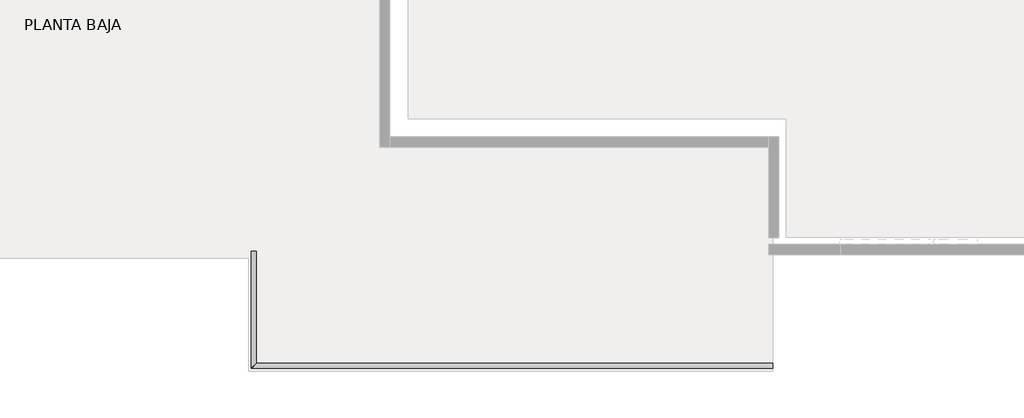
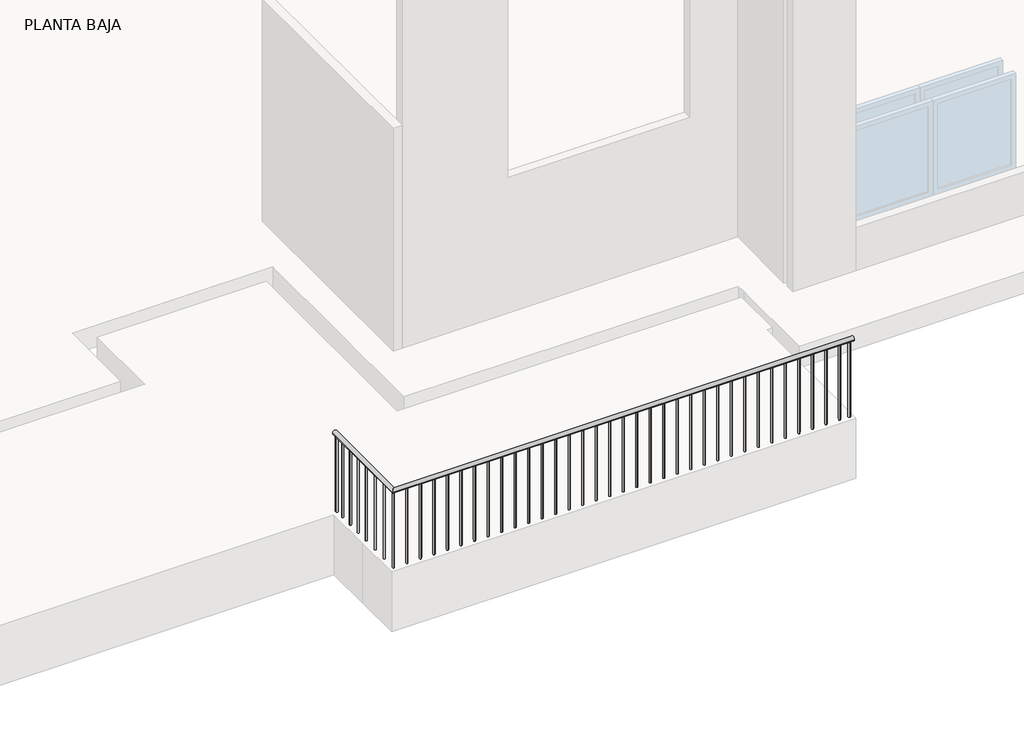
# One storey, part 4 of 4: 1 railing.
"""IFC4 building model written with IfcOpenShell, lengths in millimetres."""

from ifc_helpers import new_model, si_unit, point, frame, frame_2d, origin, place, context, project, spatial, circle_curve, ellipse_curve, trimmed, segment, composite_curve, outline, extrude, element, save
from ifc_brep_helpers import plane_surface, cylinder_surface, advanced_brep

model = new_model("IFC4")

# Units and contexts
model_context = context("Model", 3, world=origin())
ifc_project = project(units=[si_unit("LENGTHUNIT", "METRE", prefix="MILLI")], contexts=[model_context])

# Site, building, storey
site = spatial("IfcSite", under=ifc_project)
building = spatial("IfcBuilding", under=site)
storey = spatial("IfcBuildingStorey", under=building, Name="PLANTA BAJA", Elevation=700.0)

# Railing
placement = place(None, origin())
element("IfcRailing", 1, at=placement, inside=storey, context=model_context, shape_type="SolidModel", body=[
    advanced_brep(
    [(7920.0, -1932.1086819, 1600.0), (7920.0, -1982.1086819, 1600.0), (2875.0, -1932.1086819, 1600.0), (2825.0, -1982.1086819, 1600.0), (2875.0, -837.1086819, 1600.0), (2825.0, -837.1086819, 1600.0)],
    [
        (0, 1, circle_curve(frame((7920.0, -1957.1086819, 1600.0), z_axis=(1.0, 0.0, 0.0), x_axis=(0.0, -1.0, 0.0)), 25.0)),
        (1, 0, circle_curve(frame((7920.0, -1957.1086819, 1600.0), z_axis=(1.0, 0.0, 0.0), x_axis=(0.0, -1.0, 0.0)), 25.0)),
        (0, 2),
        (2, 3, ellipse_curve(frame((2850.0, -1957.1086819, 1600.0), z_axis=(0.7071067811865479, -0.707106781186547, 0.0), x_axis=(0.7071067811865471, 0.7071067811865478, 0.0)), 35.3553391, 25.0)),
        (3, 1),
        (3, 2, ellipse_curve(frame((2850.0, -1957.1086819, 1600.0), z_axis=(0.7071067811865479, -0.707106781186547, 0.0), x_axis=(0.7071067811865471, 0.7071067811865478, 0.0)), 35.3553391, 25.0)),
        (4, 5, circle_curve(frame((2850.0, -837.1086819, 1600.0), z_axis=(0.0, 1.0, 0.0), x_axis=(-1.0, 0.0, 0.0)), 25.0)),
        (5, 4, circle_curve(frame((2850.0, -837.1086819, 1600.0), z_axis=(0.0, 1.0, 0.0), x_axis=(-1.0, 0.0, 0.0)), 25.0)),
        (2, 4),
        (5, 3),
    ],
    [
        plane_surface(frame((7920.0, -1957.1086819, 1600.0), z_axis=(1.0, 0.0, 0.0), x_axis=(0.0, -1.0, 0.0))),
        cylinder_surface(frame((7920.0, -1957.1086819, 1600.0), z_axis=(1.0, 0.0, 0.0), x_axis=(0.0, -1.0, 0.0)), 25.0),
        plane_surface(frame((2850.0, -837.1086819, 1600.0), z_axis=(0.0, 1.0, 0.0), x_axis=(0.0, 0.0, 1.0))),
        cylinder_surface(frame((2850.0, -1957.1086819, 1600.0), z_axis=(0.0, -1.0, 0.0), x_axis=(-1.0, 0.0, 0.0)), 25.0),
    ],
    [
        (0, [[1, 2]]),
        (1, [[-1, 3, 4, 5]]),
        (1, [[-2, -5, 6, -3]]),
        (2, [[7, 8]]),
        (3, [[-4, 9, -8, 10]]),
        (3, [[-6, -10, -7, -9]]),
    ],
),
    extrude(outline(composite_curve([segment(trimmed(circle_curve(frame_2d((2850.0, -986.9310123)), 10.0), [point((2860.0, -986.9310123))], [point((2840.0, -986.9310123))], False, "CARTESIAN"), True, "CONTINUOUS"), segment(trimmed(circle_curve(frame_2d((2850.0, -986.9310123)), 10.0), [point((2840.0, -986.9310123))], [point((2860.0, -986.9310123))], False, "CARTESIAN"), True, "CONTINUOUS")], self_intersect=False)), frame((0.0, 0.0, 700.0), z_axis=(0.0, 0.0, 1.0), x_axis=(1.0, 0.0, 0.0)), (0.0, 0.0, 1.0), 875.0),
    extrude(outline(composite_curve([segment(trimmed(circle_curve(frame_2d((2850.0, -1136.7533428)), 10.0), [point((2860.0, -1136.7533428))], [point((2840.0, -1136.7533428))], False, "CARTESIAN"), True, "CONTINUOUS"), segment(trimmed(circle_curve(frame_2d((2850.0, -1136.7533428)), 10.0), [point((2840.0, -1136.7533428))], [point((2860.0, -1136.7533428))], False, "CARTESIAN"), True, "CONTINUOUS")], self_intersect=False)), frame((0.0, 0.0, 700.0), z_axis=(0.0, 0.0, 1.0), x_axis=(1.0, 0.0, 0.0)), (0.0, 0.0, 1.0), 875.0),
    extrude(outline(composite_curve([segment(trimmed(circle_curve(frame_2d((2850.0, -1286.5756733)), 10.0), [point((2860.0, -1286.5756733))], [point((2840.0, -1286.5756733))], False, "CARTESIAN"), True, "CONTINUOUS"), segment(trimmed(circle_curve(frame_2d((2850.0, -1286.5756733)), 10.0), [point((2840.0, -1286.5756733))], [point((2860.0, -1286.5756733))], False, "CARTESIAN"), True, "CONTINUOUS")], self_intersect=False)), frame((0.0, 0.0, 700.0), z_axis=(0.0, 0.0, 1.0), x_axis=(1.0, 0.0, 0.0)), (0.0, 0.0, 1.0), 875.0),
    extrude(outline(composite_curve([segment(trimmed(circle_curve(frame_2d((2850.0, -1609.9682298)), 10.0), [point((2860.0, -1609.9682298))], [point((2840.0, -1609.9682298))], False, "CARTESIAN"), True, "CONTINUOUS"), segment(trimmed(circle_curve(frame_2d((2850.0, -1609.9682298)), 10.0), [point((2840.0, -1609.9682298))], [point((2860.0, -1609.9682298))], False, "CARTESIAN"), True, "CONTINUOUS")], self_intersect=False)), frame((0.0, 0.0, 700.0), z_axis=(0.0, 0.0, 1.0), x_axis=(1.0, 0.0, 0.0)), (0.0, 0.0, 1.0), 875.0),
    extrude(outline(composite_curve([segment(trimmed(circle_curve(frame_2d((2850.0, -1783.5384558)), 10.0), [point((2860.0, -1783.5384558))], [point((2840.0, -1783.5384558))], False, "CARTESIAN"), True, "CONTINUOUS"), segment(trimmed(circle_curve(frame_2d((2850.0, -1783.5384558)), 10.0), [point((2840.0, -1783.5384558))], [point((2860.0, -1783.5384558))], False, "CARTESIAN"), True, "CONTINUOUS")], self_intersect=False)), frame((0.0, 0.0, 700.0), z_axis=(0.0, 0.0, 1.0), x_axis=(1.0, 0.0, 0.0)), (0.0, 0.0, 1.0), 875.0),
    extrude(outline(composite_curve([segment(trimmed(circle_curve(frame_2d((2999.1176471, -1957.1086819)), 10.0), [point((2999.1176471, -1947.1086819))], [point((2999.1176471, -1967.1086819))], False, "CARTESIAN"), True, "CONTINUOUS"), segment(trimmed(circle_curve(frame_2d((2999.1176471, -1957.1086819)), 10.0), [point((2999.1176471, -1967.1086819))], [point((2999.1176471, -1947.1086819))], False, "CARTESIAN"), True, "CONTINUOUS")], self_intersect=False)), frame((0.0, 0.0, 700.0), z_axis=(0.0, 0.0, 1.0), x_axis=(1.0, 0.0, 0.0)), (0.0, 0.0, 1.0), 875.0),
    extrude(outline(composite_curve([segment(trimmed(circle_curve(frame_2d((3148.2352941, -1957.1086819)), 10.0), [point((3148.2352941, -1947.1086819))], [point((3148.2352941, -1967.1086819))], False, "CARTESIAN"), True, "CONTINUOUS"), segment(trimmed(circle_curve(frame_2d((3148.2352941, -1957.1086819)), 10.0), [point((3148.2352941, -1967.1086819))], [point((3148.2352941, -1947.1086819))], False, "CARTESIAN"), True, "CONTINUOUS")], self_intersect=False)), frame((0.0, 0.0, 700.0), z_axis=(0.0, 0.0, 1.0), x_axis=(1.0, 0.0, 0.0)), (0.0, 0.0, 1.0), 875.0),
    extrude(outline(composite_curve([segment(trimmed(circle_curve(frame_2d((3297.3529412, -1957.1086819)), 10.0), [point((3297.3529412, -1947.1086819))], [point((3297.3529412, -1967.1086819))], False, "CARTESIAN"), True, "CONTINUOUS"), segment(trimmed(circle_curve(frame_2d((3297.3529412, -1957.1086819)), 10.0), [point((3297.3529412, -1967.1086819))], [point((3297.3529412, -1947.1086819))], False, "CARTESIAN"), True, "CONTINUOUS")], self_intersect=False)), frame((0.0, 0.0, 700.0), z_axis=(0.0, 0.0, 1.0), x_axis=(1.0, 0.0, 0.0)), (0.0, 0.0, 1.0), 875.0),
    extrude(outline(composite_curve([segment(trimmed(circle_curve(frame_2d((3446.4705882, -1957.1086819)), 10.0), [point((3446.4705882, -1947.1086819))], [point((3446.4705882, -1967.1086819))], False, "CARTESIAN"), True, "CONTINUOUS"), segment(trimmed(circle_curve(frame_2d((3446.4705882, -1957.1086819)), 10.0), [point((3446.4705882, -1967.1086819))], [point((3446.4705882, -1947.1086819))], False, "CARTESIAN"), True, "CONTINUOUS")], self_intersect=False)), frame((0.0, 0.0, 700.0), z_axis=(0.0, 0.0, 1.0), x_axis=(1.0, 0.0, 0.0)), (0.0, 0.0, 1.0), 875.0),
    extrude(outline(composite_curve([segment(trimmed(circle_curve(frame_2d((3595.5882353, -1957.1086819)), 10.0), [point((3595.5882353, -1947.1086819))], [point((3595.5882353, -1967.1086819))], False, "CARTESIAN"), True, "CONTINUOUS"), segment(trimmed(circle_curve(frame_2d((3595.5882353, -1957.1086819)), 10.0), [point((3595.5882353, -1967.1086819))], [point((3595.5882353, -1947.1086819))], False, "CARTESIAN"), True, "CONTINUOUS")], self_intersect=False)), frame((0.0, 0.0, 700.0), z_axis=(0.0, 0.0, 1.0), x_axis=(1.0, 0.0, 0.0)), (0.0, 0.0, 1.0), 875.0),
    extrude(outline(composite_curve([segment(trimmed(circle_curve(frame_2d((3744.7058824, -1957.1086819)), 10.0), [point((3744.7058824, -1947.1086819))], [point((3744.7058824, -1967.1086819))], False, "CARTESIAN"), True, "CONTINUOUS"), segment(trimmed(circle_curve(frame_2d((3744.7058824, -1957.1086819)), 10.0), [point((3744.7058824, -1967.1086819))], [point((3744.7058824, -1947.1086819))], False, "CARTESIAN"), True, "CONTINUOUS")], self_intersect=False)), frame((0.0, 0.0, 700.0), z_axis=(0.0, 0.0, 1.0), x_axis=(1.0, 0.0, 0.0)), (0.0, 0.0, 1.0), 875.0),
    extrude(outline(composite_curve([segment(trimmed(circle_curve(frame_2d((3893.8235294, -1957.1086819)), 10.0), [point((3893.8235294, -1947.1086819))], [point((3893.8235294, -1967.1086819))], False, "CARTESIAN"), True, "CONTINUOUS"), segment(trimmed(circle_curve(frame_2d((3893.8235294, -1957.1086819)), 10.0), [point((3893.8235294, -1967.1086819))], [point((3893.8235294, -1947.1086819))], False, "CARTESIAN"), True, "CONTINUOUS")], self_intersect=False)), frame((0.0, 0.0, 700.0), z_axis=(0.0, 0.0, 1.0), x_axis=(1.0, 0.0, 0.0)), (0.0, 0.0, 1.0), 875.0),
    extrude(outline(composite_curve([segment(trimmed(circle_curve(frame_2d((4042.9411765, -1957.1086819)), 10.0), [point((4042.9411765, -1947.1086819))], [point((4042.9411765, -1967.1086819))], False, "CARTESIAN"), True, "CONTINUOUS"), segment(trimmed(circle_curve(frame_2d((4042.9411765, -1957.1086819)), 10.0), [point((4042.9411765, -1967.1086819))], [point((4042.9411765, -1947.1086819))], False, "CARTESIAN"), True, "CONTINUOUS")], self_intersect=False)), frame((0.0, 0.0, 700.0), z_axis=(0.0, 0.0, 1.0), x_axis=(1.0, 0.0, 0.0)), (0.0, 0.0, 1.0), 875.0),
    extrude(outline(composite_curve([segment(trimmed(circle_curve(frame_2d((4192.0588235, -1957.1086819)), 10.0), [point((4192.0588235, -1947.1086819))], [point((4192.0588235, -1967.1086819))], False, "CARTESIAN"), True, "CONTINUOUS"), segment(trimmed(circle_curve(frame_2d((4192.0588235, -1957.1086819)), 10.0), [point((4192.0588235, -1967.1086819))], [point((4192.0588235, -1947.1086819))], False, "CARTESIAN"), True, "CONTINUOUS")], self_intersect=False)), frame((0.0, 0.0, 700.0), z_axis=(0.0, 0.0, 1.0), x_axis=(1.0, 0.0, 0.0)), (0.0, 0.0, 1.0), 875.0),
    extrude(outline(composite_curve([segment(trimmed(circle_curve(frame_2d((4341.1764706, -1957.1086819)), 10.0), [point((4341.1764706, -1947.1086819))], [point((4341.1764706, -1967.1086819))], False, "CARTESIAN"), True, "CONTINUOUS"), segment(trimmed(circle_curve(frame_2d((4341.1764706, -1957.1086819)), 10.0), [point((4341.1764706, -1967.1086819))], [point((4341.1764706, -1947.1086819))], False, "CARTESIAN"), True, "CONTINUOUS")], self_intersect=False)), frame((0.0, 0.0, 700.0), z_axis=(0.0, 0.0, 1.0), x_axis=(1.0, 0.0, 0.0)), (0.0, 0.0, 1.0), 875.0),
    extrude(outline(composite_curve([segment(trimmed(circle_curve(frame_2d((4490.2941176, -1957.1086819)), 10.0), [point((4490.2941176, -1947.1086819))], [point((4490.2941176, -1967.1086819))], False, "CARTESIAN"), True, "CONTINUOUS"), segment(trimmed(circle_curve(frame_2d((4490.2941176, -1957.1086819)), 10.0), [point((4490.2941176, -1967.1086819))], [point((4490.2941176, -1947.1086819))], False, "CARTESIAN"), True, "CONTINUOUS")], self_intersect=False)), frame((0.0, 0.0, 700.0), z_axis=(0.0, 0.0, 1.0), x_axis=(1.0, 0.0, 0.0)), (0.0, 0.0, 1.0), 875.0),
    extrude(outline(composite_curve([segment(trimmed(circle_curve(frame_2d((4639.4117647, -1957.1086819)), 10.0), [point((4639.4117647, -1947.1086819))], [point((4639.4117647, -1967.1086819))], False, "CARTESIAN"), True, "CONTINUOUS"), segment(trimmed(circle_curve(frame_2d((4639.4117647, -1957.1086819)), 10.0), [point((4639.4117647, -1967.1086819))], [point((4639.4117647, -1947.1086819))], False, "CARTESIAN"), True, "CONTINUOUS")], self_intersect=False)), frame((0.0, 0.0, 700.0), z_axis=(0.0, 0.0, 1.0), x_axis=(1.0, 0.0, 0.0)), (0.0, 0.0, 1.0), 875.0),
    extrude(outline(composite_curve([segment(trimmed(circle_curve(frame_2d((4788.5294118, -1957.1086819)), 10.0), [point((4788.5294118, -1947.1086819))], [point((4788.5294118, -1967.1086819))], False, "CARTESIAN"), True, "CONTINUOUS"), segment(trimmed(circle_curve(frame_2d((4788.5294118, -1957.1086819)), 10.0), [point((4788.5294118, -1967.1086819))], [point((4788.5294118, -1947.1086819))], False, "CARTESIAN"), True, "CONTINUOUS")], self_intersect=False)), frame((0.0, 0.0, 700.0), z_axis=(0.0, 0.0, 1.0), x_axis=(1.0, 0.0, 0.0)), (0.0, 0.0, 1.0), 875.0),
    extrude(outline(composite_curve([segment(trimmed(circle_curve(frame_2d((4937.6470588, -1957.1086819)), 10.0), [point((4937.6470588, -1947.1086819))], [point((4937.6470588, -1967.1086819))], False, "CARTESIAN"), True, "CONTINUOUS"), segment(trimmed(circle_curve(frame_2d((4937.6470588, -1957.1086819)), 10.0), [point((4937.6470588, -1967.1086819))], [point((4937.6470588, -1947.1086819))], False, "CARTESIAN"), True, "CONTINUOUS")], self_intersect=False)), frame((0.0, 0.0, 700.0), z_axis=(0.0, 0.0, 1.0), x_axis=(1.0, 0.0, 0.0)), (0.0, 0.0, 1.0), 875.0),
    extrude(outline(composite_curve([segment(trimmed(circle_curve(frame_2d((5086.7647059, -1957.1086819)), 10.0), [point((5086.7647059, -1947.1086819))], [point((5086.7647059, -1967.1086819))], False, "CARTESIAN"), True, "CONTINUOUS"), segment(trimmed(circle_curve(frame_2d((5086.7647059, -1957.1086819)), 10.0), [point((5086.7647059, -1967.1086819))], [point((5086.7647059, -1947.1086819))], False, "CARTESIAN"), True, "CONTINUOUS")], self_intersect=False)), frame((0.0, 0.0, 700.0), z_axis=(0.0, 0.0, 1.0), x_axis=(1.0, 0.0, 0.0)), (0.0, 0.0, 1.0), 875.0),
    extrude(outline(composite_curve([segment(trimmed(circle_curve(frame_2d((5235.8823529, -1957.1086819)), 10.0), [point((5235.8823529, -1947.1086819))], [point((5235.8823529, -1967.1086819))], False, "CARTESIAN"), True, "CONTINUOUS"), segment(trimmed(circle_curve(frame_2d((5235.8823529, -1957.1086819)), 10.0), [point((5235.8823529, -1967.1086819))], [point((5235.8823529, -1947.1086819))], False, "CARTESIAN"), True, "CONTINUOUS")], self_intersect=False)), frame((0.0, 0.0, 700.0), z_axis=(0.0, 0.0, 1.0), x_axis=(1.0, 0.0, 0.0)), (0.0, 0.0, 1.0), 875.0),
    extrude(outline(composite_curve([segment(trimmed(circle_curve(frame_2d((5385.0, -1957.1086819)), 10.0), [point((5385.0, -1947.1086819))], [point((5385.0, -1967.1086819))], False, "CARTESIAN"), True, "CONTINUOUS"), segment(trimmed(circle_curve(frame_2d((5385.0, -1957.1086819)), 10.0), [point((5385.0, -1967.1086819))], [point((5385.0, -1947.1086819))], False, "CARTESIAN"), True, "CONTINUOUS")], self_intersect=False)), frame((0.0, 0.0, 700.0), z_axis=(0.0, 0.0, 1.0), x_axis=(1.0, 0.0, 0.0)), (0.0, 0.0, 1.0), 875.0),
    extrude(outline(composite_curve([segment(trimmed(circle_curve(frame_2d((5534.1176471, -1957.1086819)), 10.0), [point((5534.1176471, -1947.1086819))], [point((5534.1176471, -1967.1086819))], False, "CARTESIAN"), True, "CONTINUOUS"), segment(trimmed(circle_curve(frame_2d((5534.1176471, -1957.1086819)), 10.0), [point((5534.1176471, -1967.1086819))], [point((5534.1176471, -1947.1086819))], False, "CARTESIAN"), True, "CONTINUOUS")], self_intersect=False)), frame((0.0, 0.0, 700.0), z_axis=(0.0, 0.0, 1.0), x_axis=(1.0, 0.0, 0.0)), (0.0, 0.0, 1.0), 875.0),
    extrude(outline(composite_curve([segment(trimmed(circle_curve(frame_2d((5683.2352941, -1957.1086819)), 10.0), [point((5683.2352941, -1947.1086819))], [point((5683.2352941, -1967.1086819))], False, "CARTESIAN"), True, "CONTINUOUS"), segment(trimmed(circle_curve(frame_2d((5683.2352941, -1957.1086819)), 10.0), [point((5683.2352941, -1967.1086819))], [point((5683.2352941, -1947.1086819))], False, "CARTESIAN"), True, "CONTINUOUS")], self_intersect=False)), frame((0.0, 0.0, 700.0), z_axis=(0.0, 0.0, 1.0), x_axis=(1.0, 0.0, 0.0)), (0.0, 0.0, 1.0), 875.0),
    extrude(outline(composite_curve([segment(trimmed(circle_curve(frame_2d((5832.3529412, -1957.1086819)), 10.0), [point((5832.3529412, -1947.1086819))], [point((5832.3529412, -1967.1086819))], False, "CARTESIAN"), True, "CONTINUOUS"), segment(trimmed(circle_curve(frame_2d((5832.3529412, -1957.1086819)), 10.0), [point((5832.3529412, -1967.1086819))], [point((5832.3529412, -1947.1086819))], False, "CARTESIAN"), True, "CONTINUOUS")], self_intersect=False)), frame((0.0, 0.0, 700.0), z_axis=(0.0, 0.0, 1.0), x_axis=(1.0, 0.0, 0.0)), (0.0, 0.0, 1.0), 875.0),
    extrude(outline(composite_curve([segment(trimmed(circle_curve(frame_2d((5981.4705882, -1957.1086819)), 10.0), [point((5981.4705882, -1947.1086819))], [point((5981.4705882, -1967.1086819))], False, "CARTESIAN"), True, "CONTINUOUS"), segment(trimmed(circle_curve(frame_2d((5981.4705882, -1957.1086819)), 10.0), [point((5981.4705882, -1967.1086819))], [point((5981.4705882, -1947.1086819))], False, "CARTESIAN"), True, "CONTINUOUS")], self_intersect=False)), frame((0.0, 0.0, 700.0), z_axis=(0.0, 0.0, 1.0), x_axis=(1.0, 0.0, 0.0)), (0.0, 0.0, 1.0), 875.0),
    extrude(outline(composite_curve([segment(trimmed(circle_curve(frame_2d((6130.5882353, -1957.1086819)), 10.0), [point((6130.5882353, -1947.1086819))], [point((6130.5882353, -1967.1086819))], False, "CARTESIAN"), True, "CONTINUOUS"), segment(trimmed(circle_curve(frame_2d((6130.5882353, -1957.1086819)), 10.0), [point((6130.5882353, -1967.1086819))], [point((6130.5882353, -1947.1086819))], False, "CARTESIAN"), True, "CONTINUOUS")], self_intersect=False)), frame((0.0, 0.0, 700.0), z_axis=(0.0, 0.0, 1.0), x_axis=(1.0, 0.0, 0.0)), (0.0, 0.0, 1.0), 875.0),
    extrude(outline(composite_curve([segment(trimmed(circle_curve(frame_2d((6279.7058824, -1957.1086819)), 10.0), [point((6279.7058824, -1947.1086819))], [point((6279.7058824, -1967.1086819))], False, "CARTESIAN"), True, "CONTINUOUS"), segment(trimmed(circle_curve(frame_2d((6279.7058824, -1957.1086819)), 10.0), [point((6279.7058824, -1967.1086819))], [point((6279.7058824, -1947.1086819))], False, "CARTESIAN"), True, "CONTINUOUS")], self_intersect=False)), frame((0.0, 0.0, 700.0), z_axis=(0.0, 0.0, 1.0), x_axis=(1.0, 0.0, 0.0)), (0.0, 0.0, 1.0), 875.0),
    extrude(outline(composite_curve([segment(trimmed(circle_curve(frame_2d((6428.8235294, -1957.1086819)), 10.0), [point((6428.8235294, -1947.1086819))], [point((6428.8235294, -1967.1086819))], False, "CARTESIAN"), True, "CONTINUOUS"), segment(trimmed(circle_curve(frame_2d((6428.8235294, -1957.1086819)), 10.0), [point((6428.8235294, -1967.1086819))], [point((6428.8235294, -1947.1086819))], False, "CARTESIAN"), True, "CONTINUOUS")], self_intersect=False)), frame((0.0, 0.0, 700.0), z_axis=(0.0, 0.0, 1.0), x_axis=(1.0, 0.0, 0.0)), (0.0, 0.0, 1.0), 875.0),
    extrude(outline(composite_curve([segment(trimmed(circle_curve(frame_2d((6577.9411765, -1957.1086819)), 10.0), [point((6577.9411765, -1947.1086819))], [point((6577.9411765, -1967.1086819))], False, "CARTESIAN"), True, "CONTINUOUS"), segment(trimmed(circle_curve(frame_2d((6577.9411765, -1957.1086819)), 10.0), [point((6577.9411765, -1967.1086819))], [point((6577.9411765, -1947.1086819))], False, "CARTESIAN"), True, "CONTINUOUS")], self_intersect=False)), frame((0.0, 0.0, 700.0), z_axis=(0.0, 0.0, 1.0), x_axis=(1.0, 0.0, 0.0)), (0.0, 0.0, 1.0), 875.0),
    extrude(outline(composite_curve([segment(trimmed(circle_curve(frame_2d((6727.0588235, -1957.1086819)), 10.0), [point((6727.0588235, -1947.1086819))], [point((6727.0588235, -1967.1086819))], False, "CARTESIAN"), True, "CONTINUOUS"), segment(trimmed(circle_curve(frame_2d((6727.0588235, -1957.1086819)), 10.0), [point((6727.0588235, -1967.1086819))], [point((6727.0588235, -1947.1086819))], False, "CARTESIAN"), True, "CONTINUOUS")], self_intersect=False)), frame((0.0, 0.0, 700.0), z_axis=(0.0, 0.0, 1.0), x_axis=(1.0, 0.0, 0.0)), (0.0, 0.0, 1.0), 875.0),
    extrude(outline(composite_curve([segment(trimmed(circle_curve(frame_2d((6876.1764706, -1957.1086819)), 10.0), [point((6876.1764706, -1947.1086819))], [point((6876.1764706, -1967.1086819))], False, "CARTESIAN"), True, "CONTINUOUS"), segment(trimmed(circle_curve(frame_2d((6876.1764706, -1957.1086819)), 10.0), [point((6876.1764706, -1967.1086819))], [point((6876.1764706, -1947.1086819))], False, "CARTESIAN"), True, "CONTINUOUS")], self_intersect=False)), frame((0.0, 0.0, 700.0), z_axis=(0.0, 0.0, 1.0), x_axis=(1.0, 0.0, 0.0)), (0.0, 0.0, 1.0), 875.0),
    extrude(outline(composite_curve([segment(trimmed(circle_curve(frame_2d((7025.2941176, -1957.1086819)), 10.0), [point((7025.2941176, -1947.1086819))], [point((7025.2941176, -1967.1086819))], False, "CARTESIAN"), True, "CONTINUOUS"), segment(trimmed(circle_curve(frame_2d((7025.2941176, -1957.1086819)), 10.0), [point((7025.2941176, -1967.1086819))], [point((7025.2941176, -1947.1086819))], False, "CARTESIAN"), True, "CONTINUOUS")], self_intersect=False)), frame((0.0, 0.0, 700.0), z_axis=(0.0, 0.0, 1.0), x_axis=(1.0, 0.0, 0.0)), (0.0, 0.0, 1.0), 875.0),
    extrude(outline(composite_curve([segment(trimmed(circle_curve(frame_2d((7174.4117647, -1957.1086819)), 10.0), [point((7174.4117647, -1947.1086819))], [point((7174.4117647, -1967.1086819))], False, "CARTESIAN"), True, "CONTINUOUS"), segment(trimmed(circle_curve(frame_2d((7174.4117647, -1957.1086819)), 10.0), [point((7174.4117647, -1967.1086819))], [point((7174.4117647, -1947.1086819))], False, "CARTESIAN"), True, "CONTINUOUS")], self_intersect=False)), frame((0.0, 0.0, 700.0), z_axis=(0.0, 0.0, 1.0), x_axis=(1.0, 0.0, 0.0)), (0.0, 0.0, 1.0), 875.0),
    extrude(outline(composite_curve([segment(trimmed(circle_curve(frame_2d((7323.5294118, -1957.1086819)), 10.0), [point((7323.5294118, -1947.1086819))], [point((7323.5294118, -1967.1086819))], False, "CARTESIAN"), True, "CONTINUOUS"), segment(trimmed(circle_curve(frame_2d((7323.5294118, -1957.1086819)), 10.0), [point((7323.5294118, -1967.1086819))], [point((7323.5294118, -1947.1086819))], False, "CARTESIAN"), True, "CONTINUOUS")], self_intersect=False)), frame((0.0, 0.0, 700.0), z_axis=(0.0, 0.0, 1.0), x_axis=(1.0, 0.0, 0.0)), (0.0, 0.0, 1.0), 875.0),
    extrude(outline(composite_curve([segment(trimmed(circle_curve(frame_2d((7472.6470588, -1957.1086819)), 10.0), [point((7472.6470588, -1947.1086819))], [point((7472.6470588, -1967.1086819))], False, "CARTESIAN"), True, "CONTINUOUS"), segment(trimmed(circle_curve(frame_2d((7472.6470588, -1957.1086819)), 10.0), [point((7472.6470588, -1967.1086819))], [point((7472.6470588, -1947.1086819))], False, "CARTESIAN"), True, "CONTINUOUS")], self_intersect=False)), frame((0.0, 0.0, 700.0), z_axis=(0.0, 0.0, 1.0), x_axis=(1.0, 0.0, 0.0)), (0.0, 0.0, 1.0), 875.0),
    extrude(outline(composite_curve([segment(trimmed(circle_curve(frame_2d((7621.7647059, -1957.1086819)), 10.0), [point((7621.7647059, -1947.1086819))], [point((7621.7647059, -1967.1086819))], False, "CARTESIAN"), True, "CONTINUOUS"), segment(trimmed(circle_curve(frame_2d((7621.7647059, -1957.1086819)), 10.0), [point((7621.7647059, -1967.1086819))], [point((7621.7647059, -1947.1086819))], False, "CARTESIAN"), True, "CONTINUOUS")], self_intersect=False)), frame((0.0, 0.0, 700.0), z_axis=(0.0, 0.0, 1.0), x_axis=(1.0, 0.0, 0.0)), (0.0, 0.0, 1.0), 875.0),
    extrude(outline(composite_curve([segment(trimmed(circle_curve(frame_2d((7770.8823529, -1957.1086819)), 10.0), [point((7770.8823529, -1947.1086819))], [point((7770.8823529, -1967.1086819))], False, "CARTESIAN"), True, "CONTINUOUS"), segment(trimmed(circle_curve(frame_2d((7770.8823529, -1957.1086819)), 10.0), [point((7770.8823529, -1967.1086819))], [point((7770.8823529, -1947.1086819))], False, "CARTESIAN"), True, "CONTINUOUS")], self_intersect=False)), frame((0.0, 0.0, 700.0), z_axis=(0.0, 0.0, 1.0), x_axis=(1.0, 0.0, 0.0)), (0.0, 0.0, 1.0), 875.0),
    extrude(outline(composite_curve([segment(trimmed(circle_curve(frame_2d((2850.0, -1436.3980037)), 10.0), [point((2860.0, -1436.3980037))], [point((2840.0, -1436.3980037))], False, "CARTESIAN"), True, "CONTINUOUS"), segment(trimmed(circle_curve(frame_2d((2850.0, -1436.3980037)), 10.0), [point((2840.0, -1436.3980037))], [point((2860.0, -1436.3980037))], False, "CARTESIAN"), True, "CONTINUOUS")], self_intersect=False)), frame((0.0, 0.0, 700.0), z_axis=(0.0, 0.0, 1.0), x_axis=(1.0, 0.0, 0.0)), (0.0, 0.0, 1.0), 875.0),
    extrude(outline(composite_curve([segment(trimmed(circle_curve(frame_2d((2850.0, -1957.1086819)), 10.0), [point((2850.0, -1947.1086819))], [point((2850.0, -1967.1086819))], False, "CARTESIAN"), True, "CONTINUOUS"), segment(trimmed(circle_curve(frame_2d((2850.0, -1957.1086819)), 10.0), [point((2850.0, -1967.1086819))], [point((2850.0, -1947.1086819))], False, "CARTESIAN"), True, "CONTINUOUS")], self_intersect=False)), frame((0.0, 0.0, 700.0), z_axis=(0.0, 0.0, 1.0), x_axis=(1.0, 0.0, 0.0)), (0.0, 0.0, 1.0), 875.0),
    extrude(outline(composite_curve([segment(trimmed(circle_curve(frame_2d((2850.0, -877.1086819)), 15.0), [point((2865.0, -877.1086819))], [point((2835.0, -877.1086819))], False, "CARTESIAN"), True, "CONTINUOUS"), segment(trimmed(circle_curve(frame_2d((2850.0, -877.1086819)), 15.0), [point((2835.0, -877.1086819))], [point((2865.0, -877.1086819))], False, "CARTESIAN"), True, "CONTINUOUS")], self_intersect=False)), frame((0.0, 0.0, 700.0), z_axis=(0.0, 0.0, 1.0), x_axis=(1.0, 0.0, 0.0)), (0.0, 0.0, 1.0), 875.0),
    extrude(outline(composite_curve([segment(trimmed(circle_curve(frame_2d((7880.0, -1957.1086819)), 15.0), [point((7880.0, -1942.1086819))], [point((7880.0, -1972.1086819))], False, "CARTESIAN"), True, "CONTINUOUS"), segment(trimmed(circle_curve(frame_2d((7880.0, -1957.1086819)), 15.0), [point((7880.0, -1972.1086819))], [point((7880.0, -1942.1086819))], False, "CARTESIAN"), True, "CONTINUOUS")], self_intersect=False)), frame((0.0, 0.0, 700.0), z_axis=(0.0, 0.0, 1.0), x_axis=(1.0, 0.0, 0.0)), (0.0, 0.0, 1.0), 875.0),
])

save(model, "model.ifc")
